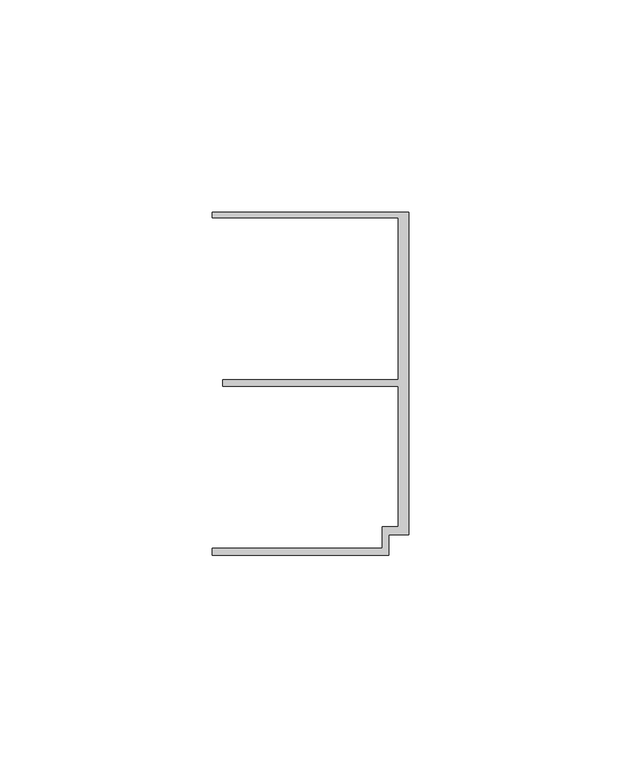
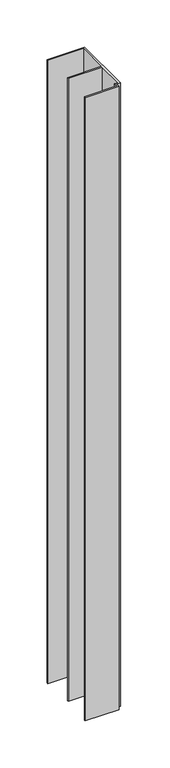
"""IFC4 building model written with IfcOpenShell, lengths in millimetres: member geometry."""

from ifc_helpers import new_model, si_unit, frame, origin, place, context, project, spatial, polyline, outline, extrude, source, transform, mapped, element, save


def member_1a086d33(model_context):
    return source(origin(), model_context, "Body", "SweptSolid", [
        extrude(outline(polyline([(-6.2, -33.95), (-2.4, -33.95), (-2.4, -0.75), (-43.8, -0.75), (-43.8, 0.75), (-2.4, 0.75), (-2.4, 38.95), (-46.3, 38.95), (-46.3, 40.25), (0.0, 40.25), (0.0, -35.75), (-4.6999992, -35.75), (-4.6999992, -40.65), (-46.3, -40.65), (-46.3, -38.95), (-6.2, -38.95), (-6.2, -33.95)])), frame((0.0, 0.0, -806.5594583), z_axis=(0.0, 0.0, 1.0), x_axis=(1.0, 0.0, 0.0)), (0.0, 0.0, 1.0), 806.5594583),
    ])


if __name__ == "__main__":
    model = new_model("IFC4")
    model_context = context("Model", 3, world=origin())
    ifc_project = project(units=[si_unit("LENGTHUNIT", "METRE", prefix="MILLI")], contexts=[model_context])
    site = spatial("IfcSite", under=ifc_project)
    building = spatial("IfcBuilding", under=site)
    placement = place(None, origin())
    member_shape = member_1a086d33(model_context)
    element("IfcMember", 1, at=placement, inside=building, context=model_context, shape_type="MappedRepresentation", body=[
        mapped(member_shape, transform((0.0, 0.0, 0.0), x_axis=(1.0, 0.0, 0.0), y_axis=(0.0, 1.0, 0.0), z_axis=(0.0, 0.0, 1.0))),
    ])
    save(model, "model.ifc")
